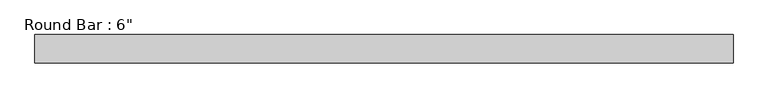
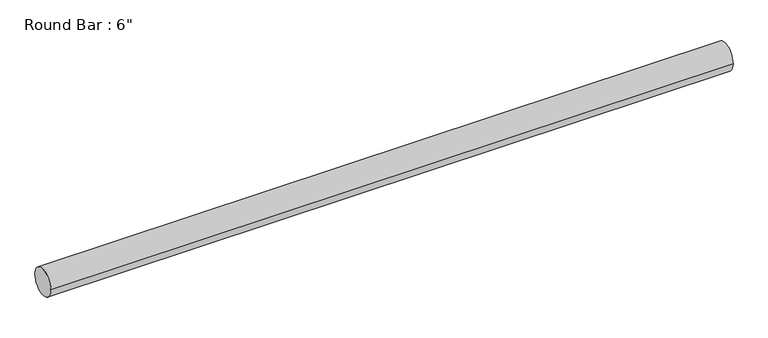
"""IFC4 building model written with IfcOpenShell, lengths in millimetres: beam geometry."""

from ifc_helpers import new_model, si_unit, point, frame, origin, origin_2d, place, context, project, spatial, circle_curve, trimmed, segment, composite_curve, outline, extrude, source, transform, mapped, element, save


def beam_29322443(model_context):
    return source(origin(), model_context, "Body", "SweptSolid", [
        extrude(outline(composite_curve([segment(trimmed(circle_curve(origin_2d(), 76.2), [point((76.2, 0.0))], [point((-76.2, 0.0))], False, "CARTESIAN"), True, "CONTINUOUS"), segment(trimmed(circle_curve(origin_2d(), 76.2), [point((-76.2, 0.0))], [point((76.2, 0.0))], False, "CARTESIAN"), True, "CONTINUOUS")], self_intersect=False)), frame((-1868.9450334, 0.0, 0.0), z_axis=(1.0, 0.0, 0.0), x_axis=(0.0, 1.0, 0.0)), (0.0, 0.0, 1.0), 3757.0743549),
    ])


if __name__ == "__main__":
    model = new_model("IFC4")
    model_context = context("Model", 3, world=origin())
    ifc_project = project(units=[si_unit("LENGTHUNIT", "METRE", prefix="MILLI")], contexts=[model_context])
    site = spatial("IfcSite", under=ifc_project)
    building = spatial("IfcBuilding", under=site)
    placement = place(None, origin())
    beam_shape = beam_29322443(model_context)
    element("IfcBeam", 1, ObjectType="Round Bar : 6\"", at=placement, inside=building, context=model_context, shape_type="MappedRepresentation", body=[
        mapped(beam_shape, transform((0.0, 0.0, 0.0), x_axis=(1.0, 0.0, 0.0), y_axis=(0.0, 1.0, 0.0), z_axis=(0.0, 0.0, 1.0))),
    ])
    save(model, "model.ifc")
